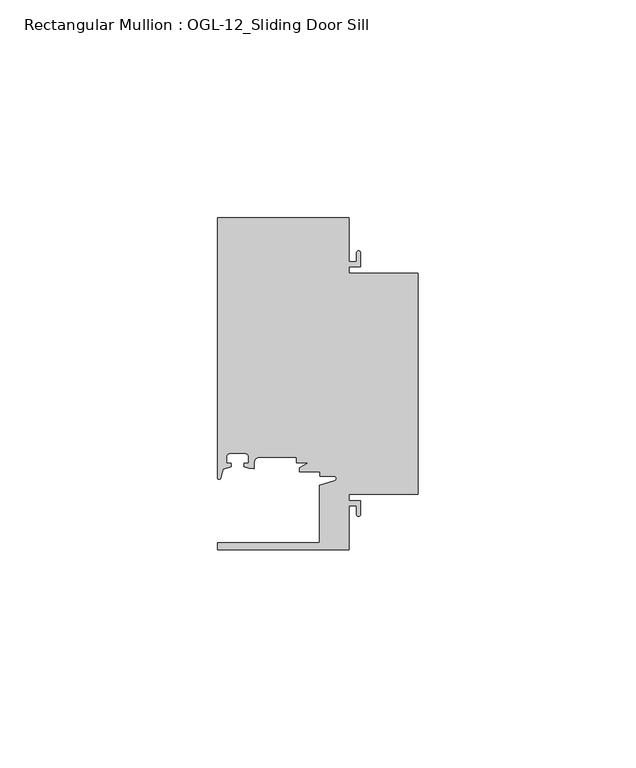
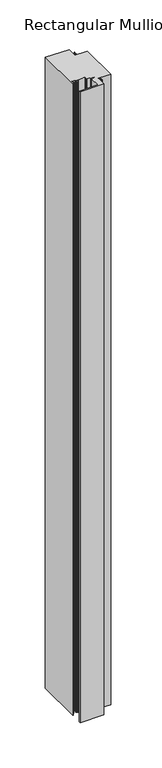
"""IFC4 building model written with IfcOpenShell, lengths in millimetres: member geometry, Rectangular Mullion : OGL-12_Sliding Door Sill."""

from ifc_helpers import new_model, si_unit, point, frame, frame_2d, origin, place, context, project, spatial, polyline, circle_curve, trimmed, segment, composite_curve, outline, extrude, source, transform, mapped, element, save


def rectangular_mullion_ogl_12_sliding_door_sill_6373b74b(model_context):
    return source(origin(), model_context, "Body", "SweptSolid", [
        extrude(outline(composite_curve([segment(polyline([(0.0, -25.4), (-15.934238, -25.4), (-15.934238, -26.8473009), (-13.2417195, -26.8473009), (-13.2417195, -30.0428503)]), True, "CONTINUOUS"), segment(trimmed(circle_curve(frame_2d((-13.6974747, -30.0428503)), 0.4557552), [point((-13.2417195, -30.0428503))], [point((-14.15323, -30.0428503))], False, "CARTESIAN"), True, "CONTINUOUS"), segment(polyline([(-14.15323, -30.0428503), (-14.15323, -28.0538009), (-15.934238, -28.0538009), (-15.934238, -38.0996792), (-46.0931306, -38.0996792), (-46.0931306, -36.5121792), (-22.6260049, -36.5121792), (-22.6260049, -23.2836666), (-19.2086572, -22.3037579)]), True, "CONTINUOUS"), segment(trimmed(circle_curve(frame_2d((-19.3562398, -21.789076)), 0.5354233), [point((-19.2086572, -22.3037579))], [point((-19.3562398, -21.2536528))], True, "CARTESIAN"), True, "CONTINUOUS"), segment(polyline([(-19.3562398, -21.2536528), (-22.6027094, -21.2536528), (-22.6027094, -20.2164975), (-27.2970068, -20.2164975), (-27.2970068, -19.265795), (-25.1995125, -18.1505375), (-27.9268052, -18.1505375), (-27.9268052, -16.8636789), (-36.3386331, -16.8636789)]), True, "CONTINUOUS"), segment(trimmed(circle_curve(frame_2d((-36.3386331, -18.2778896)), 1.4142107), [point((-36.3386331, -16.8636789))], [point((-37.7528423, -18.2799969))], True, "CARTESIAN"), True, "CONTINUOUS"), segment(polyline([(-37.7528423, -18.2799969), (-37.7528423, -19.4819389), (-38.8813571, -19.4491353), (-39.9812066, -19.0676205), (-39.9812066, -18.2246744), (-39.0028438, -18.2246744), (-39.0028438, -16.7746773)]), True, "CONTINUOUS"), segment(trimmed(circle_curve(frame_2d((-39.8028422, -16.7746773)), 0.7999984), [point((-39.0028438, -16.7746773))], [point((-39.8028422, -15.9746789))], True, "CARTESIAN"), True, "CONTINUOUS"), segment(polyline([(-39.8028422, -15.9746789), (-43.2028354, -15.9746789)]), True, "CONTINUOUS"), segment(trimmed(circle_curve(frame_2d((-43.2028354, -16.7746773)), 0.7999984), [point((-43.2028354, -15.9746789))], [point((-44.0028338, -16.7746773))], True, "CARTESIAN"), True, "CONTINUOUS"), segment(polyline([(-44.0028338, -16.7746773), (-44.0028338, -18.2246744), (-43.0244711, -18.2246744), (-43.0244711, -19.0364336), (-44.83413, -19.6244274), (-45.434586, -21.7184665)]), True, "CONTINUOUS"), segment(trimmed(circle_curve(frame_2d((-45.7573546, -21.6259141)), 0.335776), [point((-45.434586, -21.7184665))], [point((-46.0931306, -21.6259141))], False, "CARTESIAN"), True, "CONTINUOUS"), segment(polyline([(-46.0931306, -21.6259141), (-46.0931306, 38.1003208), (-15.934238, 38.1003208), (-15.934238, 28.0544425), (-14.15323, 28.0544425), (-14.15323, 30.0428503)]), True, "CONTINUOUS"), segment(trimmed(circle_curve(frame_2d((-13.6974747, 30.0428503)), 0.4557552), [point((-14.15323, 30.0428503))], [point((-13.2417195, 30.0428503))], False, "CARTESIAN"), True, "CONTINUOUS"), segment(polyline([(-13.2417195, 30.0428503), (-13.2417195, 26.8479425), (-15.934238, 26.8479425), (-15.934238, 25.4), (0.0, 25.4), (0.0, -25.4)]), True, "CONTINUOUS")], self_intersect=False)), frame((0.0, 0.0, -847.7259345), z_axis=(0.0, 0.0, 1.0), x_axis=(1.0, 0.0, 0.0)), (0.0, 0.0, 1.0), 847.7259345),
    ])


if __name__ == "__main__":
    model = new_model("IFC4")
    model_context = context("Model", 3, world=origin())
    ifc_project = project(units=[si_unit("LENGTHUNIT", "METRE", prefix="MILLI")], contexts=[model_context])
    site = spatial("IfcSite", under=ifc_project)
    building = spatial("IfcBuilding", under=site)
    placement = place(None, origin())
    rectangular_mullion_ogl_12_sliding_door_sill_shape = rectangular_mullion_ogl_12_sliding_door_sill_6373b74b(model_context)
    element("IfcMember", 1, ObjectType="Rectangular Mullion : OGL-12_Sliding Door Sill", at=placement, inside=building, context=model_context, shape_type="MappedRepresentation", body=[
        mapped(rectangular_mullion_ogl_12_sliding_door_sill_shape, transform((0.0, 0.0, 0.0), x_axis=(1.0, 0.0, 0.0), y_axis=(0.0, 1.0, 0.0), z_axis=(0.0, 0.0, 1.0))),
    ])
    save(model, "model.ifc")
